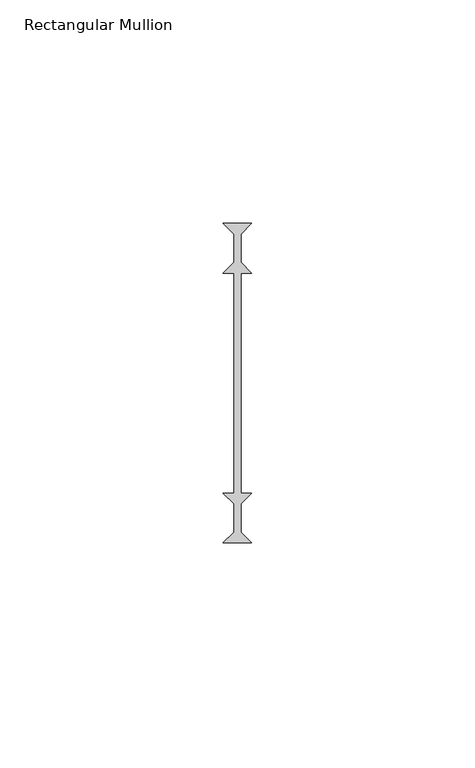
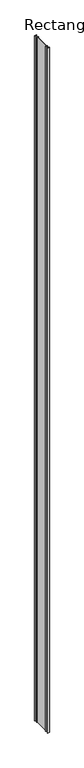
"""IFC4 building model written with IfcOpenShell, lengths in millimetres: member geometry, Rectangular Mullion."""

from ifc_helpers import new_model, si_unit, frame, origin, place, context, project, spatial, polyline, outline, extrude, source, transform, mapped, element, save


def rectangular_mullion_122072cc(model_context):
    return source(origin(), model_context, "Body", "SweptSolid", [
        extrude(outline(polyline([(3.175, -35.71875), (-3.175, -35.71875), (-0.79375, -33.3375), (-0.79375, -26.9875), (-3.175, -24.60625), (-0.79375, -24.60625), (-0.79375, 24.60625), (-3.175, 24.60625), (-0.79375, 26.9875), (-0.79375, 33.3375), (-3.175, 35.71875), (3.175, 35.71875), (0.79375, 33.3375), (0.79375, 26.9875), (3.175, 24.60625), (0.79375, 24.60625), (0.79375, -24.60625), (3.175, -24.60625), (0.79375, -26.9875), (0.79375, -33.3375), (3.175, -35.71875)])), frame((0.0, 0.0, -2359.025), z_axis=(0.0, 0.0, 1.0), x_axis=(1.0, 0.0, 0.0)), (0.0, 0.0, 1.0), 2359.025),
    ])


if __name__ == "__main__":
    model = new_model("IFC4")
    model_context = context("Model", 3, world=origin())
    ifc_project = project(units=[si_unit("LENGTHUNIT", "METRE", prefix="MILLI")], contexts=[model_context])
    site = spatial("IfcSite", under=ifc_project)
    building = spatial("IfcBuilding", under=site)
    placement = place(None, origin())
    rectangular_mullion_shape = rectangular_mullion_122072cc(model_context)
    element("IfcMember", 1, ObjectType="Rectangular Mullion", at=placement, inside=building, context=model_context, shape_type="MappedRepresentation", body=[
        mapped(rectangular_mullion_shape, transform((0.0, 0.0, 0.0), x_axis=(1.0, 0.0, 0.0), y_axis=(0.0, 1.0, 0.0), z_axis=(0.0, 0.0, 1.0))),
    ])
    save(model, "model.ifc")
